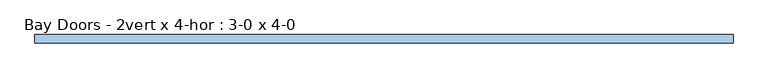
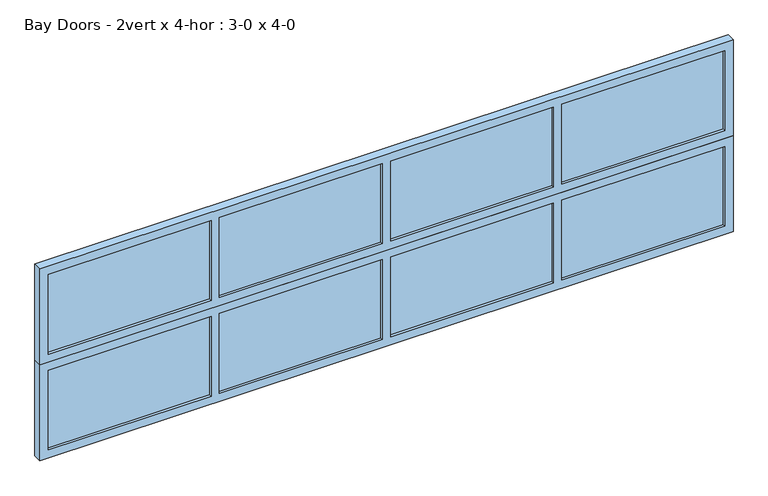
"""IFC4 building model written with IfcOpenShell, lengths in millimetres: window geometry, Bay Doors - 2vert x 4-hor : 3-0 x 4-0."""

from ifc_helpers import new_model, si_unit, frame, origin, place, context, project, spatial, polyline, outline, extrude, source, transform, mapped, element, save


def bay_doors_2vert_x_4_hor_3_0_x_4_0_aaa63c54(model_context):
    return source(origin(), model_context, "Body", "SweptSolid", [
        extrude(outline(polyline([(-2039.757051, -9.525), (-2039.757051, 9.525), (-1061.857051, 9.525), (-1061.857051, -9.525), (-2039.757051, -9.525)])), frame((0.0, 0.0, 1854.2), z_axis=(0.0, 0.0, 1.0), x_axis=(1.0, 0.0, 0.0)), (0.0, 0.0, 1.0), 508.0),
        extrude(outline(polyline([(-1011.057051, -9.525), (-1011.057051, 9.525), (-33.157051, 9.525), (-33.157051, -9.525), (-1011.057051, -9.525)])), frame((0.0, 0.0, 1854.2), z_axis=(0.0, 0.0, 1.0), x_axis=(1.0, 0.0, 0.0)), (0.0, 0.0, 1.0), 508.0),
        extrude(outline(polyline([(17.642949, -9.525), (17.642949, 9.525), (995.542949, 9.525), (995.542949, -9.525), (17.642949, -9.525)])), frame((0.0, 0.0, 1854.2), z_axis=(0.0, 0.0, 1.0), x_axis=(1.0, 0.0, 0.0)), (0.0, 0.0, 1.0), 508.0),
        extrude(outline(polyline([(1046.342949, -9.525), (1046.342949, 9.525), (2024.242949, 9.525), (2024.242949, -9.525), (1046.342949, -9.525)])), frame((0.0, 0.0, 1854.2), z_axis=(0.0, 0.0, 1.0), x_axis=(1.0, 0.0, 0.0)), (0.0, 0.0, 1.0), 508.0),
        extrude(outline(polyline([(2413.0, 2075.042949), (2413.0, -2090.557051), (1803.4, -2090.557051), (1803.4, 2075.042949), (2413.0, 2075.042949)]), holes=[polyline([(2362.2, 1046.342949), (2362.2, 2024.242949), (1854.2, 2024.242949), (1854.2, 1046.342949), (2362.2, 1046.342949)]), polyline([(2362.2, 17.642949), (2362.2, 995.542949), (1854.2, 995.542949), (1854.2, 17.642949), (2362.2, 17.642949)]), polyline([(2362.2, -1011.057051), (2362.2, -33.157051), (1854.2, -33.157051), (1854.2, -1011.057051), (2362.2, -1011.057051)]), polyline([(2362.2, -2039.757051), (2362.2, -1061.857051), (1854.2, -1061.857051), (1854.2, -2039.757051), (2362.2, -2039.757051)])]), frame((0.0, -25.4, 0.0), z_axis=(0.0, 1.0, 0.0), x_axis=(0.0, 0.0, 1.0)), (0.0, 0.0, 1.0), 50.8),
        extrude(outline(polyline([(1803.4, 2075.042949), (1803.4, -2090.557051), (1193.8, -2090.557051), (1193.8, 2075.042949), (1803.4, 2075.042949)]), holes=[polyline([(1752.6, 1046.342949), (1752.6, 2024.242949), (1244.6, 2024.242949), (1244.6, 1046.342949), (1752.6, 1046.342949)]), polyline([(1752.6, 17.642949), (1752.6, 995.542949), (1244.6, 995.542949), (1244.6, 17.642949), (1752.6, 17.642949)]), polyline([(1752.6, -1011.057051), (1752.6, -33.157051), (1244.6, -33.157051), (1244.6, -1011.057051), (1752.6, -1011.057051)]), polyline([(1752.6, -2039.757051), (1752.6, -1061.857051), (1244.6, -1061.857051), (1244.6, -2039.757051), (1752.6, -2039.757051)])]), frame((0.0, -25.4, 0.0), z_axis=(0.0, 1.0, 0.0), x_axis=(0.0, 0.0, 1.0)), (0.0, 0.0, 1.0), 50.8),
        extrude(outline(polyline([(-2039.757051, -9.525), (-2039.757051, 9.525), (-1061.857051, 9.525), (-1061.857051, -9.525), (-2039.757051, -9.525)])), frame((0.0, 0.0, 1244.6), z_axis=(0.0, 0.0, 1.0), x_axis=(1.0, 0.0, 0.0)), (0.0, 0.0, 1.0), 508.0),
        extrude(outline(polyline([(-1011.057051, -9.525), (-1011.057051, 9.525), (-33.157051, 9.525), (-33.157051, -9.525), (-1011.057051, -9.525)])), frame((0.0, 0.0, 1244.6), z_axis=(0.0, 0.0, 1.0), x_axis=(1.0, 0.0, 0.0)), (0.0, 0.0, 1.0), 508.0),
        extrude(outline(polyline([(17.642949, -9.525), (17.642949, 9.525), (995.542949, 9.525), (995.542949, -9.525), (17.642949, -9.525)])), frame((0.0, 0.0, 1244.6), z_axis=(0.0, 0.0, 1.0), x_axis=(1.0, 0.0, 0.0)), (0.0, 0.0, 1.0), 508.0),
        extrude(outline(polyline([(1046.342949, -9.525), (1046.342949, 9.525), (2024.242949, 9.525), (2024.242949, -9.525), (1046.342949, -9.525)])), frame((0.0, 0.0, 1244.6), z_axis=(0.0, 0.0, 1.0), x_axis=(1.0, 0.0, 0.0)), (0.0, 0.0, 1.0), 508.0),
    ])


if __name__ == "__main__":
    model = new_model("IFC4")
    model_context = context("Model", 3, world=origin())
    ifc_project = project(units=[si_unit("LENGTHUNIT", "METRE", prefix="MILLI")], contexts=[model_context])
    site = spatial("IfcSite", under=ifc_project)
    building = spatial("IfcBuilding", under=site)
    placement = place(None, origin())
    bay_doors_2vert_x_4_hor_3_0_x_4_0_shape = bay_doors_2vert_x_4_hor_3_0_x_4_0_aaa63c54(model_context)
    element("IfcWindow", 1, ObjectType="Bay Doors - 2vert x 4-hor : 3-0 x 4-0", at=placement, inside=building, context=model_context, shape_type="MappedRepresentation", body=[
        mapped(bay_doors_2vert_x_4_hor_3_0_x_4_0_shape, transform((0.0, 0.0, 0.0), x_axis=(1.0, 0.0, 0.0), y_axis=(0.0, 1.0, 0.0), z_axis=(0.0, 0.0, 1.0))),
    ])
    save(model, "model.ifc")
